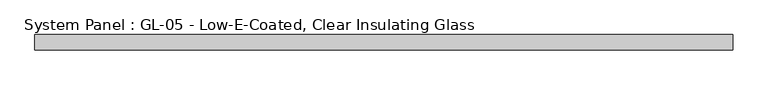
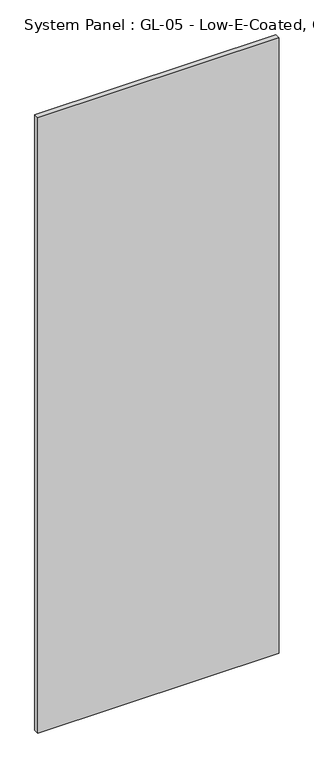
"""IFC4 building model written with IfcOpenShell, lengths in millimetres: plate geometry, System Panel : GL-05 - Low-E-Coated, Clear Insulating Glass."""

from ifc_helpers import new_model, si_unit, origin, origin_with_axes, place, context, project, spatial, polyline, outline, extrude, source, transform, mapped, element, save


def system_panel_gl_05_low_e_coated_clear_insulating_glass_6c90f20a(model_context):
    return source(origin(), model_context, "Body", "SweptSolid", [
        extrude(outline(polyline([(584.2, -12.7), (-584.2, -12.7), (-584.2, 12.7), (584.2, 12.7), (584.2, -12.7)])), origin_with_axes(), (0.0, 0.0, 1.0), 3149.6),
    ])


if __name__ == "__main__":
    model = new_model("IFC4")
    model_context = context("Model", 3, world=origin())
    ifc_project = project(units=[si_unit("LENGTHUNIT", "METRE", prefix="MILLI")], contexts=[model_context])
    site = spatial("IfcSite", under=ifc_project)
    building = spatial("IfcBuilding", under=site)
    placement = place(None, origin())
    system_panel_gl_05_low_e_coated_clear_insulating_glass_shape = system_panel_gl_05_low_e_coated_clear_insulating_glass_6c90f20a(model_context)
    element("IfcPlate", 1, ObjectType="System Panel : GL-05 - Low-E-Coated, Clear Insulating Glass", at=placement, inside=building, context=model_context, shape_type="MappedRepresentation", body=[
        mapped(system_panel_gl_05_low_e_coated_clear_insulating_glass_shape, transform((0.0, 0.0, 0.0), x_axis=(1.0, 0.0, 0.0), y_axis=(0.0, 1.0, 0.0), z_axis=(0.0, 0.0, 1.0))),
    ])
    save(model, "model.ifc")
